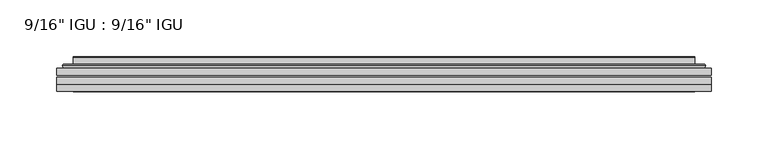
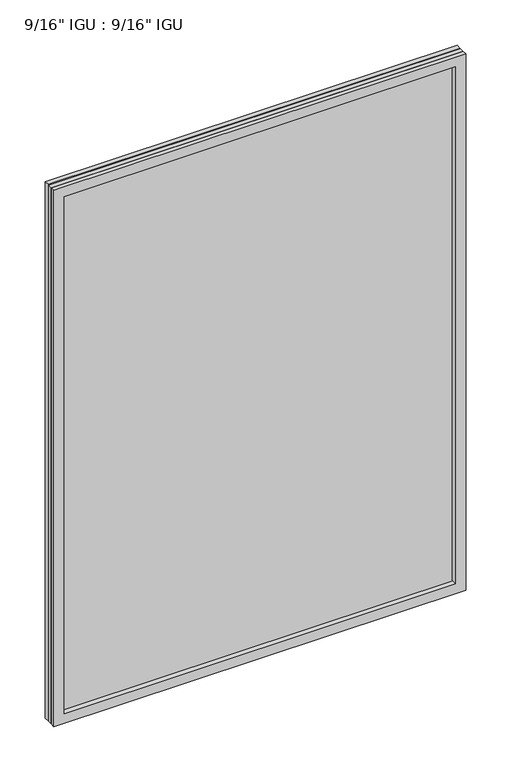
"""IFC4 building model written with IfcOpenShell, lengths in millimetres: plate geometry."""

from ifc_helpers import new_model, si_unit, frame, origin, place, context, project, spatial, polyline, ellipse_curve, outline, extrude, faceted_brep, source, transform, mapped, element, save
from ifc_brep_helpers import plane_surface, cylinder_surface, advanced_brep


def plate_4e25bd70(model_context):
    return source(origin(), model_context, "Body", "SolidModel", [
        extrude(outline(polyline([(287.351675, -54.78145), (287.351675, -61.1317818), (-287.3375, -61.1317818), (-287.3375, -54.78145), (287.351675, -54.78145)])), frame((0.0, 0.0, -14.2875), z_axis=(0.0, 0.0, 1.0), x_axis=(1.0, 0.0, 0.0)), (0.0, 0.0, 1.0), 790.596575),
        extrude(outline(polyline([(-287.3375, -69.05625), (-287.3375, -62.705745), (287.351675, -62.705745), (287.351675, -69.05625), (-287.3375, -69.05625)])), frame((0.0, 0.0, -14.2875), z_axis=(0.0, 0.0, 1.0), x_axis=(1.0, 0.0, 0.0)), (0.0, 0.0, 1.0), 790.596575),
        faceted_brep([(-287.3502, -75.40625, 776.3179772), (-287.3502, -69.05625, 776.3179772), (-287.3502, -69.05625, -14.3002), (-287.3502, -75.40625, -14.3002), (287.3502, -69.05625, -14.3002), (287.3502, -75.40625, -14.3002), (287.3502, -69.05625, 776.3179772), (287.3502, -75.40625, 776.3179772), (-272.1522559, -69.05625, 0.8977441), (272.1522559, -69.05625, 0.8977441), (272.1522559, -69.05625, 761.120033), (-272.1522559, -69.05625, 761.120033), (-273.0446902, -75.40625, 762.0124673), (273.0446902, -75.40625, 762.0124673), (273.0446902, -75.40625, 0.0053098), (-273.0446902, -75.40625, 0.0053098)], [[[0, 1, 2, 3]], [[3, 2, 4, 5]], [[5, 4, 6, 7]], [[1, 6, 4, 2], [8, 9, 10, 11]], [[7, 6, 1, 0]], [[3, 5, 7, 0], [12, 13, 14, 15]], [[11, 12, 15, 8]], [[8, 15, 14, 9]], [[9, 14, 13, 10]], [[10, 13, 12, 11]]]),
        advanced_brep(
        [(-280.096219, -54.78145, 769.0639962), (-282.4504244, -52.7917833, 771.4182015), (-282.4504244, -52.7917833, -9.4004244), (-280.096219, -54.78145, -7.046219), (-271.0218939, -50.941413, 759.9896711), (-266.0870621, -54.78145, 755.0548392), (-266.0870621, -54.78145, 6.9629379), (-271.0218939, -50.941413, 2.0281061), (-272.0539217, -45.5441819, 761.0216988), (-272.0539217, -45.5441819, 0.9960783), (-273.0445784, -45.1452069, 762.0123556), (-273.0445784, -45.1452069, 0.0054216), (-273.0445784, -51.60645, 762.0123556), (-273.0445784, -51.60645, 0.0054216), (-281.4486349, -51.60645, 770.416412), (-281.4486349, -51.60645, -8.3986349), (282.4504244, -52.7917833, -9.4004244), (280.096219, -54.78145, -7.046219), (266.0870621, -54.78145, 6.9629379), (271.0218939, -50.941413, 2.0281061), (272.0539217, -45.5441819, 0.9960783), (273.0445784, -45.1452069, 0.0054216), (273.0445784, -51.60645, 0.0054216), (281.4486349, -51.60645, -8.3986349), (282.4504244, -52.7917833, 771.4182015), (280.096219, -54.78145, 769.0639962), (266.0870621, -54.78145, 755.0548392), (271.0218939, -50.941413, 759.9896711), (272.0539217, -45.5441819, 761.0216988), (273.0445784, -45.1452069, 762.0123556), (273.0445784, -51.60645, 762.0123556), (281.4486349, -51.60645, 770.416412)],
        [
            (0, 1, ellipse_curve(frame((-280.096219, -52.39385, 769.0639962), z_axis=(-0.7071067811865475, 0.0, -0.7071067811865475), x_axis=(-0.7071067811865474, 0.0, 0.7071067811865476)), 3.3765763, 2.3876)),
            (1, 2),
            (2, 3, ellipse_curve(frame((-280.096219, -52.39385, -7.046219), z_axis=(-0.7071067811865475, 0.0, 0.7071067811865475), x_axis=(0.7071067811865474, 0.0, 0.7071067811865476)), 3.3765763, 2.3876)),
            (3, 0),
            (4, 5),
            (5, 6),
            (6, 7),
            (7, 4),
            (8, 4),
            (7, 9),
            (9, 8),
            (10, 8, ellipse_curve(frame((-272.6776219, -45.6634423, 761.645399), z_axis=(-0.7071067811865475, 0.0, -0.7071067811865475), x_axis=(-0.7071067811865474, 0.0, 0.7071067811865476)), 0.8980256, 0.635)),
            (9, 11, ellipse_curve(frame((-272.6776219, -45.6634423, 0.3723781), z_axis=(-0.7071067811865475, 0.0, 0.7071067811865475), x_axis=(0.7071067811865474, 0.0, 0.7071067811865476)), 0.8980256, 0.635)),
            (11, 10),
            (12, 10),
            (11, 13),
            (13, 12),
            (1, 14, ellipse_curve(frame((-281.4486349, -52.62245, 770.416412), z_axis=(-0.7071067811865475, 0.0, -0.7071067811865475), x_axis=(-0.7071067811865474, 0.0, 0.7071067811865476)), 1.436841, 1.016)),
            (14, 15),
            (15, 2, ellipse_curve(frame((-281.4486349, -52.62245, -8.3986349), z_axis=(-0.7071067811865475, 0.0, 0.7071067811865475), x_axis=(0.7071067811865474, 0.0, 0.7071067811865476)), 1.436841, 1.016)),
            (2, 16),
            (16, 17, ellipse_curve(frame((280.096219, -52.39385, -7.046219), z_axis=(-0.7071067811865475, 0.0, -0.7071067811865475), x_axis=(-0.7071067811865476, 0.0, 0.7071067811865474)), 3.3765763, 2.3876)),
            (17, 3),
            (6, 18),
            (18, 19),
            (19, 7),
            (19, 20),
            (20, 9),
            (20, 21, ellipse_curve(frame((272.6776219, -45.6634423, 0.3723781), z_axis=(-0.7071067811865475, 0.0, -0.7071067811865475), x_axis=(-0.7071067811865476, 0.0, 0.7071067811865474)), 0.8980256, 0.635)),
            (21, 11),
            (21, 22),
            (22, 13),
            (15, 23),
            (23, 16, ellipse_curve(frame((281.4486349, -52.62245, -8.3986349), z_axis=(-0.7071067811865475, 0.0, -0.7071067811865475), x_axis=(-0.7071067811865476, 0.0, 0.7071067811865474)), 1.436841, 1.016)),
            (16, 24),
            (24, 25, ellipse_curve(frame((280.096219, -52.39385, 769.0639962), z_axis=(0.7071067811865475, 0.0, -0.7071067811865475), x_axis=(-0.7071067811865474, 0.0, -0.7071067811865476)), 3.3765763, 2.3876)),
            (25, 17),
            (18, 26),
            (26, 27),
            (27, 19),
            (27, 28),
            (28, 20),
            (28, 29, ellipse_curve(frame((272.6776219, -45.6634423, 761.645399), z_axis=(0.7071067811865475, 0.0, -0.7071067811865475), x_axis=(-0.7071067811865474, 0.0, -0.7071067811865476)), 0.8980256, 0.635)),
            (29, 21),
            (29, 30),
            (30, 22),
            (23, 31),
            (31, 24, ellipse_curve(frame((281.4486349, -52.62245, 770.416412), z_axis=(0.7071067811865475, 0.0, -0.7071067811865475), x_axis=(-0.7071067811865474, 0.0, -0.7071067811865476)), 1.436841, 1.016)),
            (24, 1),
            (0, 25),
            (5, 26),
            (4, 27),
            (8, 28),
            (10, 29),
            (12, 30),
            (14, 31),
        ],
        [
            cylinder_surface(frame((-280.096219, -52.39385, 793.7677772), z_axis=(0.0, 0.0, 1.0), x_axis=(-1.0, 0.0, 0.0)), 2.3876),
            plane_surface(frame((-266.0870621, -54.78145, 755.0548392), z_axis=(0.6141233906514794, 0.7892100234124821, 0.0), x_axis=(0.0, 0.0, -1.0))),
            plane_surface(frame((-271.0218939, -50.941413, 759.9896711), z_axis=(0.9822050625507728, 0.18781164793386088, 0.0), x_axis=(0.0, 0.0, -1.0))),
            cylinder_surface(frame((-272.6776219, -45.6634423, 793.7677772), z_axis=(0.0, 0.0, 1.0), x_axis=(-1.0, 0.0, 0.0)), 0.635),
            plane_surface(frame((-273.0445784, -45.1452069, 762.0123556), z_axis=(-1.0, 0.0, 0.0), x_axis=(0.0, 0.0, -1.0))),
            cylinder_surface(frame((-281.4486349, -52.62245, 793.7677772), z_axis=(0.0, 0.0, 1.0), x_axis=(-1.0, 0.0, 0.0)), 1.016),
            cylinder_surface(frame((-304.8, -52.39385, -7.046219), z_axis=(-1.0, 0.0, 0.0), x_axis=(0.0, 0.0, -1.0)), 2.3876),
            plane_surface(frame((-266.0870621, -54.78145, 6.9629379), z_axis=(0.0, 0.7892100234124841, 0.6141233906514768), x_axis=(1.0, 0.0, 0.0))),
            plane_surface(frame((-271.0218939, -50.941413, 2.0281061), z_axis=(0.0, 0.18781164793386404, 0.9822050625507722), x_axis=(1.0, 0.0, 0.0))),
            cylinder_surface(frame((-304.8, -45.6634423, 0.3723781), z_axis=(-1.0, 0.0, 0.0), x_axis=(0.0, 0.0, -1.0)), 0.635),
            plane_surface(frame((-273.0445784, -45.1452069, 0.0054216), z_axis=(0.0, 0.0, -1.0), x_axis=(1.0, 0.0, 0.0))),
            cylinder_surface(frame((-304.8, -52.62245, -8.3986349), z_axis=(-1.0, 0.0, 0.0), x_axis=(0.0, 0.0, -1.0)), 1.016),
            cylinder_surface(frame((280.096219, -52.39385, -31.75), z_axis=(0.0, 0.0, -1.0), x_axis=(1.0, 0.0, 0.0)), 2.3876),
            plane_surface(frame((266.0870621, -54.78145, 6.9629379), z_axis=(-0.6141233906514743, 0.7892100234124861, 0.0), x_axis=(0.0, 0.0, 1.0))),
            plane_surface(frame((271.0218939, -50.941413, 2.0281061), z_axis=(-0.9822050625507717, 0.1878116479338672, 0.0), x_axis=(0.0, 0.0, 1.0))),
            cylinder_surface(frame((272.6776219, -45.6634423, -31.75), z_axis=(0.0, 0.0, -1.0), x_axis=(1.0, 0.0, 0.0)), 0.635),
            plane_surface(frame((273.0445784, -45.1452069, 0.0054216), z_axis=(1.0, 0.0, 0.0), x_axis=(0.0, 0.0, 1.0))),
            cylinder_surface(frame((281.4486349, -52.62245, -31.75), z_axis=(0.0, 0.0, -1.0), x_axis=(1.0, 0.0, 0.0)), 1.016),
            cylinder_surface(frame((304.8, -52.39385, 769.0639962), z_axis=(1.0, 0.0, 0.0), x_axis=(0.0, 0.0, 1.0)), 2.3876),
            plane_surface(frame((280.096219, -54.78145, 769.0639962), z_axis=(0.0, -1.0, 0.0), x_axis=(-1.0, 0.0, 0.0))),
            plane_surface(frame((266.0870621, -54.78145, 755.0548392), z_axis=(0.0, 0.7892100234124841, -0.6141233906514768), x_axis=(-1.0, 0.0, 0.0))),
            plane_surface(frame((271.0218939, -50.941413, 759.9896711), z_axis=(0.0, 0.18781164793386404, -0.9822050625507722), x_axis=(-1.0, 0.0, 0.0))),
            cylinder_surface(frame((304.8, -45.6634423, 761.645399), z_axis=(1.0, 0.0, 0.0), x_axis=(0.0, 0.0, 1.0)), 0.635),
            plane_surface(frame((273.0445784, -45.1452069, 762.0123556), z_axis=(0.0, 0.0, 1.0), x_axis=(-1.0, 0.0, 0.0))),
            plane_surface(frame((273.0445784, -51.60645, 762.0123556), z_axis=(0.0, 1.0, 0.0), x_axis=(-1.0, 0.0, 0.0))),
            cylinder_surface(frame((304.8, -52.62245, 770.416412), z_axis=(1.0, 0.0, 0.0), x_axis=(0.0, 0.0, 1.0)), 1.016),
        ],
        [
            (0, [[1, 2, 3, 4]]),
            (1, [[5, 6, 7, 8]]),
            (2, [[9, -8, 10, 11]]),
            (3, [[12, -11, 13, 14]]),
            (4, [[15, -14, 16, 17]]),
            (5, [[18, 19, 20, -2]]),
            (6, [[-3, 21, 22, 23]]),
            (7, [[-7, 24, 25, 26]]),
            (8, [[-10, -26, 27, 28]]),
            (9, [[-13, -28, 29, 30]]),
            (10, [[-16, -30, 31, 32]]),
            (11, [[-20, 33, 34, -21]]),
            (12, [[-22, 35, 36, 37]]),
            (13, [[-25, 38, 39, 40]]),
            (14, [[-27, -40, 41, 42]]),
            (15, [[-29, -42, 43, 44]]),
            (16, [[-31, -44, 45, 46]]),
            (17, [[-34, 47, 48, -35]]),
            (18, [[-36, 49, -1, 50]]),
            (19, [[-23, -37, -50, -4], [51, -38, -24, -6]]),
            (20, [[-39, -51, -5, 52]]),
            (21, [[-41, -52, -9, 53]]),
            (22, [[-43, -53, -12, 54]]),
            (23, [[-45, -54, -15, 55]]),
            (24, [[56, -47, -33, -19], [-32, -46, -55, -17]]),
            (25, [[-48, -56, -18, -49]]),
        ],
    ),
    ])


if __name__ == "__main__":
    model = new_model("IFC4")
    model_context = context("Model", 3, world=origin())
    ifc_project = project(units=[si_unit("LENGTHUNIT", "METRE", prefix="MILLI")], contexts=[model_context])
    site = spatial("IfcSite", under=ifc_project)
    building = spatial("IfcBuilding", under=site)
    placement = place(None, origin())
    plate_shape = plate_4e25bd70(model_context)
    element("IfcPlate", 1, ObjectType="9/16\" IGU : 9/16\" IGU", at=placement, inside=building, context=model_context, shape_type="MappedRepresentation", body=[
        mapped(plate_shape, transform((0.0, 0.0, 0.0), x_axis=(1.0, 0.0, 0.0), y_axis=(0.0, 1.0, 0.0), z_axis=(0.0, 0.0, 1.0))),
    ])
    save(model, "model.ifc")
